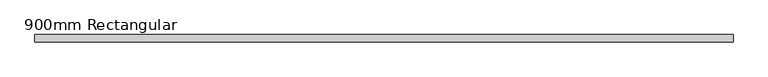
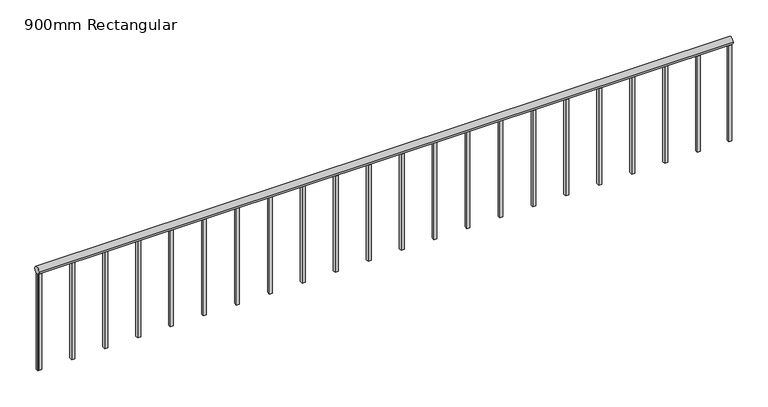
"""IFC4 building model written with IfcOpenShell, lengths in millimetres: railing geometry, 900mm Rectangular."""

import ifcopenshell
import ifcopenshell.guid

model = None  # the IFC model being written
_history = None  # IfcOwnerHistory: only IFC2X3 demands one
_inside = {}  # id of a spatial element -> (the spatial element, [elements in it])
_under = {}  # id of a project, library or spatial element -> (it, [spatial elements below it])
_declared = {}  # id of a project -> (the project, [libraries it declares])
_typed = {}  # id of a type object -> (the type object, [elements of that type])
_made_of = {}  # id of a material, layer set ... -> (it, [elements and type objects made of it])


def new_model(schema):
    """Start an empty IFC model of exactly this schema.

    Asked for "IFC4X3", IfcOpenShell would pick the latest addendum, in which some entities
    have other attributes; the version numbers below select the first issue.
    IFC2X3 requires an IfcOwnerHistory on every rooted entity: one is made here for all.
    """
    global model, _history
    if schema == "IFC4X3":
        model = ifcopenshell.file(schema_version=(4, 3, 0, 0))
    else:
        model = ifcopenshell.file(schema=schema)
    _inside.clear()
    _under.clear()
    _declared.clear()
    _typed.clear()
    _made_of.clear()
    _history = None
    if model.schema == "IFC2X3":
        org = make("IfcOrganization", Name="unknown")
        user = make(
            "IfcPersonAndOrganization",
            ThePerson=make("IfcPerson", FamilyName="unknown"),
            TheOrganization=org,
        )
        app = make(
            "IfcApplication",
            ApplicationDeveloper=org,
            Version="unknown",
            ApplicationFullName="unknown",
            ApplicationIdentifier="unknown",
        )
        _history = make(
            "IfcOwnerHistory",
            OwningUser=user,
            OwningApplication=app,
            ChangeAction="ADDED",
            CreationDate=0,
        )
    return model


def make(cls, **values):
    """One entity of the class cls with the attributes given. An attribute that is None is left unset."""
    return model.create_entity(
        cls, **{name: value for name, value in values.items() if value is not None}
    )


def rooted(cls, **values):
    """An entity with a GlobalId (a new one), such as an element, a storey or a relation."""
    return make(cls, GlobalId=ifcopenshell.guid.new(), OwnerHistory=_history, **values)


def si_unit(unit_type, name, prefix=None):
    """IfcSIUnit, for example si_unit("LENGTHUNIT", "METRE", prefix="MILLI")."""
    return make("IfcSIUnit", UnitType=unit_type, Prefix=prefix, Name=name)


def assignment(units):
    """IfcUnitAssignment: the units of a project."""
    return None if units is None else make("IfcUnitAssignment", Units=units)


def point(xyz):
    """IfcCartesianPoint."""
    return None if xyz is None else make("IfcCartesianPoint", Coordinates=xyz)


def direction(xyz):
    """IfcDirection."""
    return None if xyz is None else make("IfcDirection", DirectionRatios=xyz)


def frame(location, z_axis=None, x_axis=None):
    """IfcAxis2Placement3D, a coordinate frame: its origin and axes. An axis left out is left unset."""
    return make(
        "IfcAxis2Placement3D",
        Location=point(location),
        Axis=direction(z_axis),
        RefDirection=direction(x_axis),
    )


def frame_2d(location, x_axis=None):
    """IfcAxis2Placement2D, a coordinate frame in the plane: its origin and x axis."""
    return make(
        "IfcAxis2Placement2D", Location=point(location), RefDirection=direction(x_axis)
    )


def origin():
    """The frame at (0, 0, 0) with its axes left unset."""
    return frame((0.0, 0.0, 0.0))


def place(relative_to, where):
    """IfcLocalPlacement: puts the frame where relative to a parent placement (None: the world)."""
    return make(
        "IfcLocalPlacement", PlacementRelTo=relative_to, RelativePlacement=where
    )


def context(
    kind, dimensions, precision=None, world=None, true_north=None, identifier=None
):
    """IfcGeometricRepresentationContext, for example the 3D "Model" context."""
    return make(
        "IfcGeometricRepresentationContext",
        ContextIdentifier=identifier,
        ContextType=kind,
        CoordinateSpaceDimension=dimensions,
        Precision=precision,
        WorldCoordinateSystem=world,
        TrueNorth=true_north,
    )


def project(units=None, contexts=None):
    """IfcProject with its units and contexts."""
    return rooted(
        "IfcProject",
        Name="project",
        RepresentationContexts=contexts,
        UnitsInContext=assignment(units),
    )


def spatial(cls, under=None, at=None, **own):
    """A site, building, storey or space (cls), placed at a placement, below another one or the project."""
    s = rooted(cls, ObjectPlacement=at, **own)
    if under is not None:
        _under.setdefault(under.id(), (under, []))[1].append(s)
    return s


def polyline(points):
    """IfcPolyline through the points."""
    return make("IfcPolyline", Points=[point(p) for p in points])


def circle_curve(where, radius):
    """IfcCircle in the frame where."""
    return make("IfcCircle", Position=where, Radius=radius)


def trimmed(basis, trim1, trim2, sense, master):
    """IfcTrimmedCurve: the piece of a basis curve between two trims."""
    return make(
        "IfcTrimmedCurve",
        BasisCurve=basis,
        Trim1=trim1,
        Trim2=trim2,
        SenseAgreement=sense,
        MasterRepresentation=master,
    )


def segment(curve, same_sense, transition):
    """IfcCompositeCurveSegment."""
    return make(
        "IfcCompositeCurveSegment",
        Transition=transition,
        SameSense=same_sense,
        ParentCurve=curve,
    )


def composite_curve(segments, self_intersect=None):
    """IfcCompositeCurve: segments joined end to end."""
    return make("IfcCompositeCurve", Segments=segments, SelfIntersect=self_intersect)


def outline(outer, holes=None, kind="AREA"):
    """IfcArbitraryClosedProfileDef: a profile drawn as a closed curve; with holes, ...WithVoids."""
    if holes is None:
        return make("IfcArbitraryClosedProfileDef", ProfileType=kind, OuterCurve=outer)
    return make(
        "IfcArbitraryProfileDefWithVoids",
        ProfileType=kind,
        OuterCurve=outer,
        InnerCurves=holes,
    )


def extrude(swept, where, along, depth):
    """IfcExtrudedAreaSolid: the profile swept, set in the frame where, extruded along a direction by depth."""
    return make(
        "IfcExtrudedAreaSolid",
        SweptArea=swept,
        Position=where,
        ExtrudedDirection=direction(along),
        Depth=depth,
    )


def shape(context_of_items, identifier, shape_type, items):
    """IfcShapeRepresentation: the items that make up one representation, for example the "Body"."""
    return make(
        "IfcShapeRepresentation",
        ContextOfItems=context_of_items,
        RepresentationIdentifier=identifier,
        RepresentationType=shape_type,
        Items=items,
    )


def source(mapping_origin, context_of_items, identifier, shape_type, items):
    """IfcRepresentationMap: a shape defined once, which mapped items show again and again."""
    return make(
        "IfcRepresentationMap",
        MappingOrigin=mapping_origin,
        MappedRepresentation=shape(context_of_items, identifier, shape_type, items),
    )


def transform(
    local_origin,
    x_axis=None,
    y_axis=None,
    z_axis=None,
    scale=None,
    scale2=None,
    scale3=None,
    uniform=True,
):
    """IfcCartesianTransformationOperator3D, or its non-uniform kind. x_axis, y_axis, z_axis: its Axis1, 2, 3."""
    if uniform:
        return make(
            "IfcCartesianTransformationOperator3D",
            Axis1=direction(x_axis),
            Axis2=direction(y_axis),
            LocalOrigin=point(local_origin),
            Scale=scale,
            Axis3=direction(z_axis),
        )
    return make(
        "IfcCartesianTransformationOperator3DnonUniform",
        Axis1=direction(x_axis),
        Axis2=direction(y_axis),
        LocalOrigin=point(local_origin),
        Scale=scale,
        Axis3=direction(z_axis),
        Scale2=scale2,
        Scale3=scale3,
    )


def mapped(mapping_source, mapping_target):
    """IfcMappedItem: shows the shape of a source again, moved by a transform."""
    return make(
        "IfcMappedItem", MappingSource=mapping_source, MappingTarget=mapping_target
    )


def made_of(thing, what):
    """Note that an element or type object is made of a material, layer set ...; save() writes the relation."""
    if what is not None:
        _made_of.setdefault(what.id(), (what, []))[1].append(thing)
    return thing


def element(
    cls,
    number,
    at=None,
    inside=None,
    cuts=None,
    type_object=None,
    material=None,
    context=None,
    identifier="Body",
    shape_type=None,
    held_by="IfcProductDefinitionShape",
    body=None,
    shapes=None,
    **own,
):
    """One element of the class cls, such as IfcWall. Its Tag is "e" and its number.

    at: its placement. inside: the storey or other place that contains it. cuts: it is an
    opening in that element (IfcRelVoidsElement). A single representation is given by context,
    identifier, shape_type and body (its items); several are given by shapes. held_by: the class
    of the entity that holds the representations. save() writes the other relations.
    """
    e = rooted(cls, Tag="e%d" % number, ObjectPlacement=at, **own)
    if body is not None:
        shapes = [shape(context, identifier, shape_type, body)]
    if shapes is not None:
        e.Representation = make(held_by, Representations=shapes)
    if inside is not None:
        _inside.setdefault(inside.id(), (inside, []))[1].append(e)
    if cuts is not None:
        rooted(
            "IfcRelVoidsElement", RelatingBuildingElement=cuts, RelatedOpeningElement=e
        )
    if type_object is not None:
        _typed.setdefault(type_object.id(), (type_object, []))[1].append(e)
    return made_of(e, material)


def aggregate(whole, parts):
    """IfcRelAggregates: a whole, such as a stair, and the parts it consists of."""
    return rooted("IfcRelAggregates", RelatingObject=whole, RelatedObjects=parts)


def save(model, path):
    """Write the relations noted so far, then the file.

    IfcRelAggregates (storeys below a building ...), IfcRelContainedInSpatialStructure (elements
    in a storey), IfcRelDefinesByType, IfcRelAssociatesMaterial and IfcRelDeclares: one each for
    every whole, place, type object, material and project.
    """
    for whole, parts in _under.values():
        aggregate(whole, parts)
    for where, things in _inside.values():
        rooted(
            "IfcRelContainedInSpatialStructure",
            RelatedElements=things,
            RelatingStructure=where,
        )
    for kind, things in _typed.values():
        rooted("IfcRelDefinesByType", RelatedObjects=things, RelatingType=kind)
    for what, things in _made_of.values():
        rooted("IfcRelAssociatesMaterial", RelatedObjects=things, RelatingMaterial=what)
    for by, libraries in _declared.values():
        rooted("IfcRelDeclares", RelatingContext=by, RelatedDefinitions=libraries)
    model.write(path)


def railing_900mm_rectangular_c8da96fd(model_context):
    return source(origin(), model_context, "Body", "SweptSolid", [
        extrude(outline(composite_curve([segment(trimmed(circle_curve(frame_2d((1427.3969534, 4480.0)), 30.0), [point((1397.3969534, 4480.0))], [point((1457.3969534, 4480.0))], False, "CARTESIAN"), True, "CONTINUOUS"), segment(trimmed(circle_curve(frame_2d((1427.3969534, 4480.0)), 30.0), [point((1457.3969534, 4480.0))], [point((1397.3969534, 4480.0))], False, "CARTESIAN"), True, "CONTINUOUS")], self_intersect=False)), frame((-5144.5302226, 0.0, 0.0), z_axis=(1.0, 0.0, 0.0), x_axis=(0.0, 1.0, 0.0)), (0.0, 0.0, 1.0), 5794.999259),
        extrude(outline(polyline([(-5112.0309636, 1439.8969534), (-5112.0309636, 1414.8969534), (-5137.0309636, 1414.8969534), (-5137.0309636, 1439.8969534), (-5112.0309636, 1439.8969534)])), frame((0.0, 0.0, 3600.0), z_axis=(0.0, 0.0, 1.0), x_axis=(1.0, 0.0, 0.0)), (0.0, 0.0, 1.0), 850.0),
        extrude(outline(polyline([(-4837.0309636, 1439.8969534), (-4837.0309636, 1414.8969534), (-4862.0309636, 1414.8969534), (-4862.0309636, 1439.8969534), (-4837.0309636, 1439.8969534)])), frame((0.0, 0.0, 3600.0), z_axis=(0.0, 0.0, 1.0), x_axis=(1.0, 0.0, 0.0)), (0.0, 0.0, 1.0), 850.0),
        extrude(outline(polyline([(-4562.0309636, 1439.8969534), (-4562.0309636, 1414.8969534), (-4587.0309636, 1414.8969534), (-4587.0309636, 1439.8969534), (-4562.0309636, 1439.8969534)])), frame((0.0, 0.0, 3600.0), z_axis=(0.0, 0.0, 1.0), x_axis=(1.0, 0.0, 0.0)), (0.0, 0.0, 1.0), 850.0),
        extrude(outline(polyline([(-4287.0309636, 1439.8969534), (-4287.0309636, 1414.8969534), (-4312.0309636, 1414.8969534), (-4312.0309636, 1439.8969534), (-4287.0309636, 1439.8969534)])), frame((0.0, 0.0, 3600.0), z_axis=(0.0, 0.0, 1.0), x_axis=(1.0, 0.0, 0.0)), (0.0, 0.0, 1.0), 850.0),
        extrude(outline(polyline([(-4012.0309636, 1439.8969534), (-4012.0309636, 1414.8969534), (-4037.0309636, 1414.8969534), (-4037.0309636, 1439.8969534), (-4012.0309636, 1439.8969534)])), frame((0.0, 0.0, 3600.0), z_axis=(0.0, 0.0, 1.0), x_axis=(1.0, 0.0, 0.0)), (0.0, 0.0, 1.0), 850.0),
        extrude(outline(polyline([(-3737.0309636, 1439.8969534), (-3737.0309636, 1414.8969534), (-3762.0309636, 1414.8969534), (-3762.0309636, 1439.8969534), (-3737.0309636, 1439.8969534)])), frame((0.0, 0.0, 3600.0), z_axis=(0.0, 0.0, 1.0), x_axis=(1.0, 0.0, 0.0)), (0.0, 0.0, 1.0), 850.0),
        extrude(outline(polyline([(-3462.0309636, 1439.8969534), (-3462.0309636, 1414.8969534), (-3487.0309636, 1414.8969534), (-3487.0309636, 1439.8969534), (-3462.0309636, 1439.8969534)])), frame((0.0, 0.0, 3600.0), z_axis=(0.0, 0.0, 1.0), x_axis=(1.0, 0.0, 0.0)), (0.0, 0.0, 1.0), 850.0),
        extrude(outline(polyline([(-3187.0309636, 1439.8969534), (-3187.0309636, 1414.8969534), (-3212.0309636, 1414.8969534), (-3212.0309636, 1439.8969534), (-3187.0309636, 1439.8969534)])), frame((0.0, 0.0, 3600.0), z_axis=(0.0, 0.0, 1.0), x_axis=(1.0, 0.0, 0.0)), (0.0, 0.0, 1.0), 850.0),
        extrude(outline(polyline([(-2912.0309636, 1439.8969534), (-2912.0309636, 1414.8969534), (-2937.0309636, 1414.8969534), (-2937.0309636, 1439.8969534), (-2912.0309636, 1439.8969534)])), frame((0.0, 0.0, 3600.0), z_axis=(0.0, 0.0, 1.0), x_axis=(1.0, 0.0, 0.0)), (0.0, 0.0, 1.0), 850.0),
        extrude(outline(polyline([(-2637.0309636, 1439.8969534), (-2637.0309636, 1414.8969534), (-2662.0309636, 1414.8969534), (-2662.0309636, 1439.8969534), (-2637.0309636, 1439.8969534)])), frame((0.0, 0.0, 3600.0), z_axis=(0.0, 0.0, 1.0), x_axis=(1.0, 0.0, 0.0)), (0.0, 0.0, 1.0), 850.0),
        extrude(outline(polyline([(-2362.0309636, 1439.8969534), (-2362.0309636, 1414.8969534), (-2387.0309636, 1414.8969534), (-2387.0309636, 1439.8969534), (-2362.0309636, 1439.8969534)])), frame((0.0, 0.0, 3600.0), z_axis=(0.0, 0.0, 1.0), x_axis=(1.0, 0.0, 0.0)), (0.0, 0.0, 1.0), 850.0),
        extrude(outline(polyline([(-2087.0309636, 1439.8969534), (-2087.0309636, 1414.8969534), (-2112.0309636, 1414.8969534), (-2112.0309636, 1439.8969534), (-2087.0309636, 1439.8969534)])), frame((0.0, 0.0, 3600.0), z_axis=(0.0, 0.0, 1.0), x_axis=(1.0, 0.0, 0.0)), (0.0, 0.0, 1.0), 850.0),
        extrude(outline(polyline([(-1812.0309636, 1439.8969534), (-1812.0309636, 1414.8969534), (-1837.0309636, 1414.8969534), (-1837.0309636, 1439.8969534), (-1812.0309636, 1439.8969534)])), frame((0.0, 0.0, 3600.0), z_axis=(0.0, 0.0, 1.0), x_axis=(1.0, 0.0, 0.0)), (0.0, 0.0, 1.0), 850.0),
        extrude(outline(polyline([(-1537.0309636, 1439.8969534), (-1537.0309636, 1414.8969534), (-1562.0309636, 1414.8969534), (-1562.0309636, 1439.8969534), (-1537.0309636, 1439.8969534)])), frame((0.0, 0.0, 3600.0), z_axis=(0.0, 0.0, 1.0), x_axis=(1.0, 0.0, 0.0)), (0.0, 0.0, 1.0), 850.0),
        extrude(outline(polyline([(-1262.0309636, 1439.8969534), (-1262.0309636, 1414.8969534), (-1287.0309636, 1414.8969534), (-1287.0309636, 1439.8969534), (-1262.0309636, 1439.8969534)])), frame((0.0, 0.0, 3600.0), z_axis=(0.0, 0.0, 1.0), x_axis=(1.0, 0.0, 0.0)), (0.0, 0.0, 1.0), 850.0),
        extrude(outline(polyline([(-987.0309636, 1439.8969534), (-987.0309636, 1414.8969534), (-1012.0309636, 1414.8969534), (-1012.0309636, 1439.8969534), (-987.0309636, 1439.8969534)])), frame((0.0, 0.0, 3600.0), z_axis=(0.0, 0.0, 1.0), x_axis=(1.0, 0.0, 0.0)), (0.0, 0.0, 1.0), 850.0),
        extrude(outline(polyline([(-712.0309636, 1439.8969534), (-712.0309636, 1414.8969534), (-737.0309636, 1414.8969534), (-737.0309636, 1439.8969534), (-712.0309636, 1439.8969534)])), frame((0.0, 0.0, 3600.0), z_axis=(0.0, 0.0, 1.0), x_axis=(1.0, 0.0, 0.0)), (0.0, 0.0, 1.0), 850.0),
        extrude(outline(polyline([(-437.0309636, 1439.8969534), (-437.0309636, 1414.8969534), (-462.0309636, 1414.8969534), (-462.0309636, 1439.8969534), (-437.0309636, 1439.8969534)])), frame((0.0, 0.0, 3600.0), z_axis=(0.0, 0.0, 1.0), x_axis=(1.0, 0.0, 0.0)), (0.0, 0.0, 1.0), 850.0),
        extrude(outline(polyline([(-162.0309636, 1439.8969534), (-162.0309636, 1414.8969534), (-187.0309636, 1414.8969534), (-187.0309636, 1439.8969534), (-162.0309636, 1439.8969534)])), frame((0.0, 0.0, 3600.0), z_axis=(0.0, 0.0, 1.0), x_axis=(1.0, 0.0, 0.0)), (0.0, 0.0, 1.0), 850.0),
        extrude(outline(polyline([(112.9690364, 1439.8969534), (112.9690364, 1414.8969534), (87.9690364, 1414.8969534), (87.9690364, 1439.8969534), (112.9690364, 1439.8969534)])), frame((0.0, 0.0, 3600.0), z_axis=(0.0, 0.0, 1.0), x_axis=(1.0, 0.0, 0.0)), (0.0, 0.0, 1.0), 850.0),
        extrude(outline(polyline([(387.9690364, 1439.8969534), (387.9690364, 1414.8969534), (362.9690364, 1414.8969534), (362.9690364, 1439.8969534), (387.9690364, 1439.8969534)])), frame((0.0, 0.0, 3600.0), z_axis=(0.0, 0.0, 1.0), x_axis=(1.0, 0.0, 0.0)), (0.0, 0.0, 1.0), 850.0),
        extrude(outline(polyline([(-5119.5302226, 1439.8969534), (-5119.5302226, 1414.8969534), (-5144.5302226, 1414.8969534), (-5144.5302226, 1439.8969534), (-5119.5302226, 1439.8969534)])), frame((0.0, 0.0, 3600.0), z_axis=(0.0, 0.0, 1.0), x_axis=(1.0, 0.0, 0.0)), (0.0, 0.0, 1.0), 850.0),
        extrude(outline(polyline([(650.4690364, 1439.8969534), (650.4690364, 1414.8969534), (625.4690364, 1414.8969534), (625.4690364, 1439.8969534), (650.4690364, 1439.8969534)])), frame((0.0, 0.0, 3600.0), z_axis=(0.0, 0.0, 1.0), x_axis=(1.0, 0.0, 0.0)), (0.0, 0.0, 1.0), 850.0),
    ])


if __name__ == "__main__":
    model = new_model("IFC4")
    model_context = context("Model", 3, world=origin())
    ifc_project = project(units=[si_unit("LENGTHUNIT", "METRE", prefix="MILLI")], contexts=[model_context])
    site = spatial("IfcSite", under=ifc_project)
    building = spatial("IfcBuilding", under=site)
    placement = place(None, origin())
    railing_900mm_rectangular_shape = railing_900mm_rectangular_c8da96fd(model_context)
    element("IfcRailing", 1, ObjectType="900mm Rectangular", at=placement, inside=building, context=model_context, shape_type="MappedRepresentation", body=[
        mapped(railing_900mm_rectangular_shape, transform((0.0, 0.0, 0.0), x_axis=(1.0, 0.0, 0.0), y_axis=(0.0, 1.0, 0.0), z_axis=(0.0, 0.0, 1.0))),
    ])
    save(model, "model.ifc")
